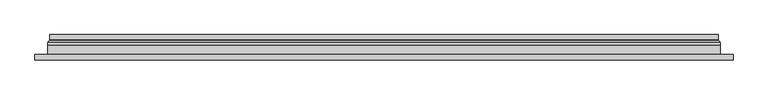
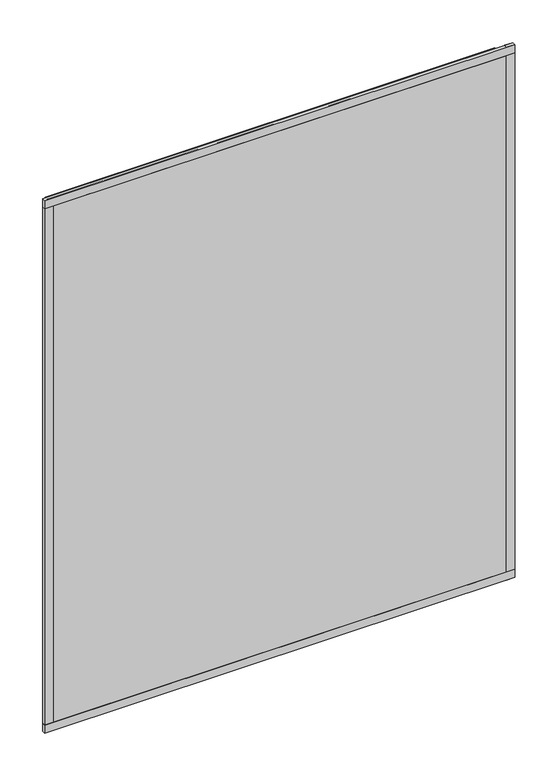
"""IFC4 building model written with IfcOpenShell, lengths in millimetres: plate geometry."""

from ifc_helpers import new_model, si_unit, frame, origin, place, context, project, spatial, polyline, ellipse_curve, outline, extrude, source, transform, mapped, element, save
from ifc_brep_helpers import plane_surface, cylinder_surface, revolved_surface, advanced_brep


def plate_4fcc2662(model_context):
    return source(origin(), model_context, "Body", "SolidModel", [
        extrude(outline(polyline([(636.5, -23.0), (-636.5, -23.0), (-636.5, -13.51), (636.5, -13.51), (636.5, -23.0)])), frame((0.0, 0.0, -11.5), z_axis=(0.0, 0.0, 1.0), x_axis=(1.0, 0.0, 0.0)), (0.0, 0.0, 1.0), 23.0),
        extrude(outline(polyline([(636.5, -23.0), (-636.5, -23.0), (-636.5, -13.51), (636.5, -13.51), (636.5, -23.0)])), frame((0.0, 0.0, 1488.5), z_axis=(0.0, 0.0, 1.0), x_axis=(1.0, 0.0, 0.0)), (0.0, 0.0, 1.0), 23.0),
        extrude(outline(polyline([(-636.5, -23.0), (-636.5, -13.51), (-613.5, -13.51), (-613.5, -23.0), (-636.5, -23.0)])), frame((0.0, 0.0, -11.5), z_axis=(0.0, 0.0, 1.0), x_axis=(1.0, 0.0, 0.0)), (0.0, 0.0, 1.0), 1523.0),
        extrude(outline(polyline([(636.5, -23.0), (613.5, -23.0), (613.5, -13.51), (636.5, -13.51), (636.5, -23.0)])), frame((0.0, 0.0, -11.5), z_axis=(0.0, 0.0, 1.0), x_axis=(1.0, 0.0, 0.0)), (0.0, 0.0, 1.0), 1523.0),
        extrude(outline(polyline([(11.5, -613.5), (11.5, 613.5), (1488.5, 613.5), (1488.5, -613.5), (11.5, -613.5)]), holes=[polyline([(33.5, 591.5), (33.5, -591.5), (1466.5, -591.5), (1466.5, 591.5), (33.5, 591.5)])]), frame((0.0, -17.0, 0.0), z_axis=(0.0, 1.0, 0.0), x_axis=(0.0, 0.0, 1.0)), (0.0, 0.0, 1.0), 20.0),
        extrude(outline(polyline([(33.5, -591.5), (33.5, 591.5), (1466.5, 591.5), (1466.5, -591.5), (33.5, -591.5)]), holes=[polyline([(38.5, 586.5), (38.5, -586.5), (1461.5, -586.5), (1461.5, 586.5), (38.5, 586.5)])]), frame((0.0, -17.0, 0.0), z_axis=(0.0, 1.0, 0.0), x_axis=(0.0, 0.0, 1.0)), (0.0, 0.0, 1.0), 20.0),
        extrude(outline(polyline([(613.5, 9.0), (613.5, 3.0), (-613.5, 3.0), (-613.5, 9.0), (613.5, 9.0)])), frame((0.0, 0.0, 11.5), z_axis=(0.0, 0.0, 1.0), x_axis=(1.0, 0.0, 0.0)), (0.0, 0.0, 1.0), 1477.0),
        extrude(outline(polyline([(-613.5, -23.0), (-613.5, -17.0), (613.5, -17.0), (613.5, -23.0), (-613.5, -23.0)])), frame((0.0, 0.0, 11.5), z_axis=(0.0, 0.0, 1.0), x_axis=(1.0, 0.0, 0.0)), (0.0, 0.0, 1.0), 1477.0),
        advanced_brep(
        [(-609.0, 23.0, 16.0), (609.0, 23.0, 16.0), (609.0, 13.9230471, 16.0), (-609.0, 13.9230471, 16.0), (-600.0, 12.9110883, 25.0), (600.0, 12.9110883, 25.0), (600.0, 23.0, 25.0), (-600.0, 23.0, 25.0), (609.0, 23.0, 1484.0), (609.0, 13.9230471, 1484.0), (600.0, 12.9110883, 1475.0), (600.0, 23.0, 1475.0), (-609.0, 23.0, 1484.0), (-609.0, 13.9230471, 1484.0), (-600.0, 12.9110883, 1475.0), (-600.0, 23.0, 1475.0), (-610.2540757, 9.0, 14.7459243), (610.2540757, 9.0, 14.7459243), (610.2540757, 9.0, 1485.2540757), (-610.2540757, 9.0, 1485.2540757), (599.7, 9.0, 25.3), (-599.7, 9.0, 25.3), (-599.7, 9.0, 1474.7), (599.7, 9.0, 1474.7), (-599.0625, 11.2166581, 25.9375), (599.0625, 11.2166581, 25.9375), (-610.5737575, 11.9689955, 14.4262425), (610.5737575, 11.9689955, 14.4262425), (599.0625, 11.2166581, 1474.0625), (610.5737575, 11.9689955, 1485.5737575), (-599.0625, 11.2166581, 1474.0625), (-610.5737575, 11.9689955, 1485.5737575)],
        [
            (0, 1),
            (1, 2),
            (2, 3),
            (3, 0),
            (4, 5),
            (5, 6),
            (6, 7),
            (7, 4),
            (1, 8),
            (8, 9),
            (9, 2),
            (5, 10),
            (10, 11),
            (11, 6),
            (8, 12),
            (12, 13),
            (13, 9),
            (10, 14),
            (14, 15),
            (15, 11),
            (16, 17),
            (17, 18),
            (18, 19),
            (19, 16),
            (20, 21),
            (21, 22),
            (22, 23),
            (23, 20),
            (12, 0),
            (3, 13),
            (15, 7),
            (14, 4),
            (24, 25),
            (25, 5, ellipse_curve(frame((598.0, 12.9110883, 27.0), z_axis=(0.7071067811865475, 0.0, 0.7071067811865475), x_axis=(0.7071067811865476, 0.0, -0.7071067811865474)), 2.8284271, 2.0)),
            (4, 24, ellipse_curve(frame((-598.0, 12.9110883, 27.0), z_axis=(-0.7071067811865475, 0.0, 0.7071067811865475), x_axis=(0.7071067811865476, 0.0, 0.7071067811865474)), 2.8284271, 2.0)),
            (20, 25, ellipse_curve(frame((599.7, 10.2, 25.3), z_axis=(-0.7071067811865475, 0.0, -0.7071067811865475), x_axis=(-0.7071067811865476, 0.0, 0.7071067811865474)), 1.6970563, 1.2)),
            (24, 21, ellipse_curve(frame((-599.7, 10.2, 25.3), z_axis=(0.7071067811865475, 0.0, -0.7071067811865475), x_axis=(-0.7071067811865476, 0.0, -0.7071067811865474)), 1.6970563, 1.2)),
            (26, 27),
            (27, 17, ellipse_curve(frame((610.2540757, 10.5034569, 14.7459243), z_axis=(-0.7071067811865475, 0.0, -0.7071067811865475), x_axis=(-0.7071067811865476, 0.0, 0.7071067811865474)), 2.1213203, 1.5)),
            (16, 26, ellipse_curve(frame((-610.2540757, 10.5034569, 14.7459243), z_axis=(0.7071067811865475, 0.0, -0.7071067811865475), x_axis=(-0.7071067811865476, 0.0, -0.7071067811865474)), 2.1213203, 1.5)),
            (25, 28),
            (28, 10, ellipse_curve(frame((598.0, 12.9110883, 1473.0), z_axis=(-0.7071067811865475, 0.0, 0.7071067811865475), x_axis=(0.7071067811865474, 0.0, 0.7071067811865476)), 2.8284271, 2.0)),
            (23, 28, ellipse_curve(frame((599.7, 10.2, 1474.7), z_axis=(0.7071067811865475, 0.0, -0.7071067811865475), x_axis=(-0.7071067811865474, 0.0, -0.7071067811865476)), 1.6970563, 1.2)),
            (27, 29),
            (29, 18, ellipse_curve(frame((610.2540757, 10.5034569, 1485.2540757), z_axis=(0.7071067811865475, 0.0, -0.7071067811865475), x_axis=(-0.7071067811865474, 0.0, -0.7071067811865476)), 2.1213203, 1.5)),
            (28, 30),
            (30, 14, ellipse_curve(frame((-598.0, 12.9110883, 1473.0), z_axis=(-0.7071067811865475, 0.0, -0.7071067811865475), x_axis=(-0.7071067811865476, 0.0, 0.7071067811865474)), 2.8284271, 2.0)),
            (22, 30, ellipse_curve(frame((-599.7, 10.2, 1474.7), z_axis=(0.7071067811865475, 0.0, 0.7071067811865475), x_axis=(0.7071067811865476, 0.0, -0.7071067811865474)), 1.6970563, 1.2)),
            (29, 31),
            (31, 19, ellipse_curve(frame((-610.2540757, 10.5034569, 1485.2540757), z_axis=(0.7071067811865475, 0.0, 0.7071067811865475), x_axis=(0.7071067811865476, 0.0, -0.7071067811865474)), 2.1213203, 1.5)),
            (30, 24),
            (31, 26),
            (2, 27, ellipse_curve(frame((611.0, 13.9230471, 14.0), z_axis=(0.7071067811865475, 0.0, 0.7071067811865475), x_axis=(0.7071067811865476, 0.0, -0.7071067811865474)), 2.8284271, 2.0)),
            (26, 3, ellipse_curve(frame((-611.0, 13.9230471, 14.0), z_axis=(-0.7071067811865475, 0.0, 0.7071067811865475), x_axis=(0.7071067811865476, 0.0, 0.7071067811865474)), 2.8284271, 2.0)),
            (9, 29, ellipse_curve(frame((611.0, 13.9230471, 1486.0), z_axis=(-0.7071067811865475, 0.0, 0.7071067811865475), x_axis=(0.7071067811865474, 0.0, 0.7071067811865476)), 2.8284271, 2.0)),
            (13, 31, ellipse_curve(frame((-611.0, 13.9230471, 1486.0), z_axis=(-0.7071067811865475, 0.0, -0.7071067811865475), x_axis=(-0.7071067811865476, 0.0, 0.7071067811865474)), 2.8284271, 2.0)),
        ],
        [
            plane_surface(frame((-609.0, 13.9230471, 16.0), z_axis=(0.0, 0.0, -1.0), x_axis=(1.0, 0.0, 0.0))),
            plane_surface(frame((-600.0, 23.0, 25.0), z_axis=(0.0, 0.0, 1.0), x_axis=(1.0, 0.0, 0.0))),
            plane_surface(frame((609.0, 13.9230471, 16.0), z_axis=(1.0, 0.0, 0.0), x_axis=(0.0, 0.0, 1.0))),
            plane_surface(frame((600.0, 23.0, 25.0), z_axis=(-1.0, 0.0, 0.0), x_axis=(0.0, 0.0, 1.0))),
            plane_surface(frame((609.0, 13.9230471, 1484.0), z_axis=(0.0, 0.0, 1.0), x_axis=(-1.0, 0.0, 0.0))),
            plane_surface(frame((600.0, 23.0, 1475.0), z_axis=(0.0, 0.0, -1.0), x_axis=(-1.0, 0.0, 0.0))),
            plane_surface(frame((-599.7, 9.0, 1474.7), z_axis=(0.0, -1.0, 0.0), x_axis=(0.0, 0.0, -1.0))),
            plane_surface(frame((-609.0, 13.9230471, 1484.0), z_axis=(-1.0, 0.0, 0.0), x_axis=(0.0, 0.0, -1.0))),
            plane_surface(frame((-609.0, 23.0, 1484.0), z_axis=(0.0, 1.0, 0.0), x_axis=(0.0, 0.0, -1.0))),
            plane_surface(frame((-600.0, 23.0, 1475.0), z_axis=(1.0, 0.0, 0.0), x_axis=(0.0, 0.0, -1.0))),
            revolved_surface(polyline([(600.0, 10.9110883, 27.0), (-600.0, 10.9110883, 27.0)]), (-613.5, 12.9110883, 27.0), (1.0, 0.0, 0.0)),
            cylinder_surface(frame((-613.5, 10.2, 25.3), z_axis=(-1.0, 0.0, 0.0), x_axis=(0.0, -1.0, 0.0)), 1.2),
            cylinder_surface(frame((-613.5, 10.5034569, 14.7459243), z_axis=(-1.0, 0.0, 0.0), x_axis=(0.0, -1.0, 0.0)), 1.5),
            revolved_surface(polyline([(598.0, 10.9110883, 1475.0), (598.0, 10.9110883, 25.0)]), (598.0, 12.9110883, 11.5), (0.0, 0.0, 1.0)),
            cylinder_surface(frame((599.7, 10.2, 11.5), z_axis=(0.0, 0.0, -1.0), x_axis=(0.0, -1.0, 0.0)), 1.2),
            cylinder_surface(frame((610.2540757, 10.5034569, 11.5), z_axis=(0.0, 0.0, -1.0), x_axis=(0.0, -1.0, 0.0)), 1.5),
            revolved_surface(polyline([(-600.0, 10.9110883, 1473.0), (600.0, 10.9110883, 1473.0)]), (613.5, 12.9110883, 1473.0), (-1.0, 0.0, 0.0)),
            cylinder_surface(frame((613.5, 10.2, 1474.7), z_axis=(1.0, 0.0, 0.0), x_axis=(0.0, -1.0, 0.0)), 1.2),
            cylinder_surface(frame((613.5, 10.5034569, 1485.2540757), z_axis=(1.0, 0.0, 0.0), x_axis=(0.0, -1.0, 0.0)), 1.5),
            revolved_surface(polyline([(-598.0, 10.9110883, 25.0), (-598.0, 10.9110883, 1475.0)]), (-598.0, 12.9110883, 1488.5), (0.0, 0.0, -1.0)),
            cylinder_surface(frame((-599.7, 10.2, 1488.5), z_axis=(0.0, 0.0, 1.0), x_axis=(0.0, -1.0, 0.0)), 1.2),
            cylinder_surface(frame((-610.2540757, 10.5034569, 1488.5), z_axis=(0.0, 0.0, 1.0), x_axis=(0.0, -1.0, 0.0)), 1.5),
            revolved_surface(polyline([(612.9999999825018, 11.9230471, 14.0), (-612.9999999825018, 11.9230471, 14.0)]), (-613.5, 13.9230471, 14.0), (1.0, 0.0, 0.0)),
            revolved_surface(polyline([(611.0, 11.9230471, 1487.9999999825018), (611.0, 11.9230471, 12.000000017498198)]), (611.0, 13.9230471, 11.5), (0.0, 0.0, 1.0)),
            revolved_surface(polyline([(-612.9999999825018, 11.9230471, 1486.0), (612.9999999825018, 11.9230471, 1486.0)]), (613.5, 13.9230471, 1486.0), (-1.0, 0.0, 0.0)),
            revolved_surface(polyline([(-611.0, 11.9230471, 12.000000017498223), (-611.0, 11.9230471, 1487.9999999825018)]), (-611.0, 13.9230471, 1488.5), (0.0, 0.0, -1.0)),
        ],
        [
            (0, [[1, 2, 3, 4]]),
            (1, [[5, 6, 7, 8]]),
            (2, [[9, 10, 11, -2]]),
            (3, [[12, 13, 14, -6]]),
            (4, [[15, 16, 17, -10]]),
            (5, [[18, 19, 20, -13]]),
            (6, [[21, 22, 23, 24], [25, 26, 27, 28]]),
            (7, [[29, -4, 30, -16]]),
            (8, [[-1, -29, -15, -9], [-7, -14, -20, 31]]),
            (9, [[32, -8, -31, -19]]),
            (10, [[33, 34, -5, 35]]),
            (11, [[-25, 36, -33, 37]]),
            (12, [[38, 39, -21, 40]]),
            (13, [[41, 42, -12, -34]]),
            (14, [[-28, 43, -41, -36]]),
            (15, [[44, 45, -22, -39]]),
            (16, [[46, 47, -18, -42]]),
            (17, [[-27, 48, -46, -43]]),
            (18, [[49, 50, -23, -45]]),
            (19, [[51, -35, -32, -47]]),
            (20, [[-26, -37, -51, -48]]),
            (21, [[52, -40, -24, -50]]),
            (22, [[-3, 53, -38, 54]]),
            (23, [[-11, 55, -44, -53]]),
            (24, [[-17, 56, -49, -55]]),
            (25, [[-30, -54, -52, -56]]),
        ],
    ),
    ])


if __name__ == "__main__":
    model = new_model("IFC4")
    model_context = context("Model", 3, world=origin())
    ifc_project = project(units=[si_unit("LENGTHUNIT", "METRE", prefix="MILLI")], contexts=[model_context])
    site = spatial("IfcSite", under=ifc_project)
    building = spatial("IfcBuilding", under=site)
    placement = place(None, origin())
    plate_shape = plate_4fcc2662(model_context)
    element("IfcPlate", 1, at=placement, inside=building, context=model_context, shape_type="MappedRepresentation", body=[
        mapped(plate_shape, transform((0.0, 0.0, 0.0), x_axis=(1.0, 0.0, 0.0), y_axis=(0.0, 1.0, 0.0), z_axis=(0.0, 0.0, 1.0))),
    ])
    save(model, "model.ifc")
